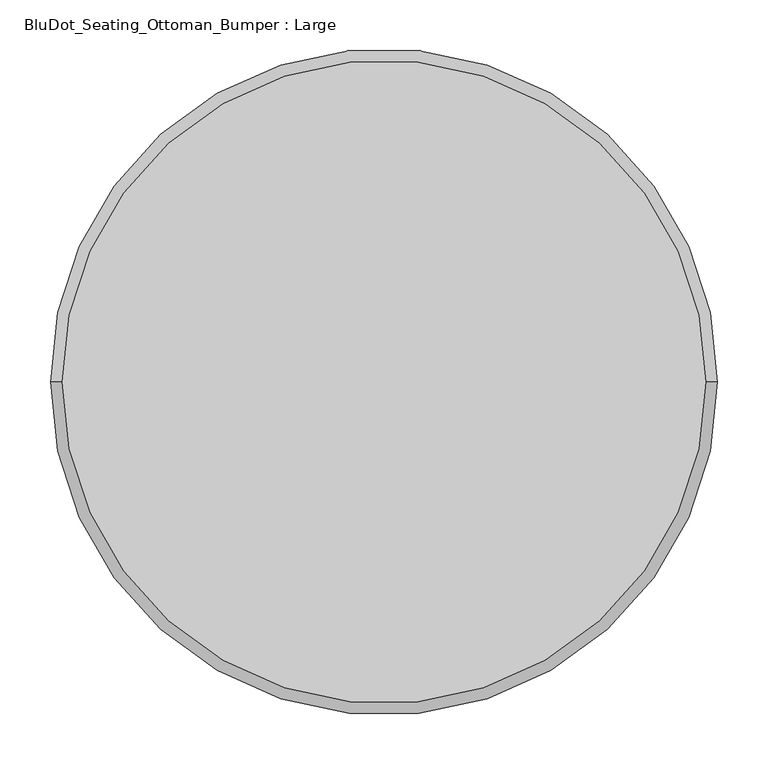
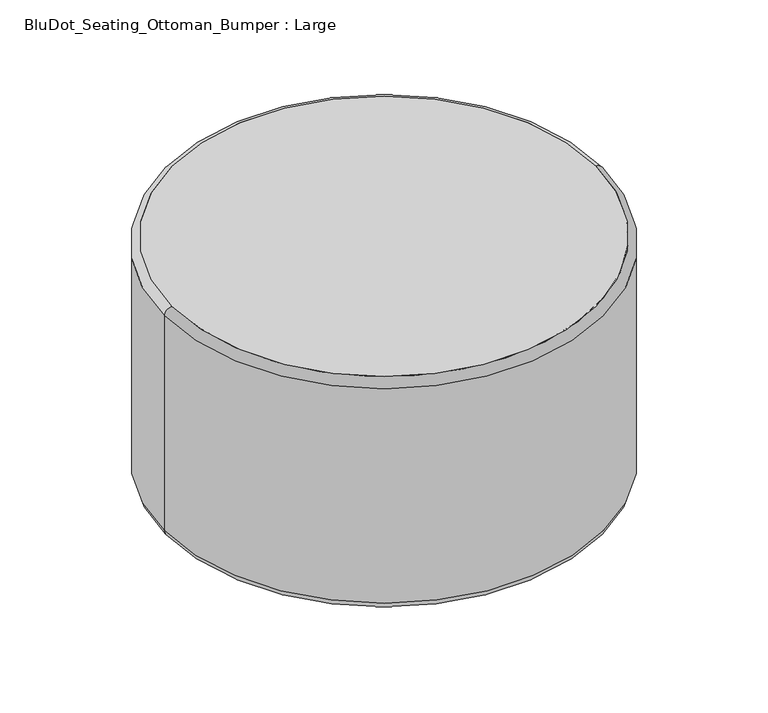
"""IFC4 building model written with IfcOpenShell, lengths in millimetres: furniture geometry, BluDot_Seating_Ottoman_Bumper : Large."""

from ifc_helpers import new_model, si_unit, point, frame, origin, origin_with_axes, origin_2d, place, context, project, spatial, polyline, circle_curve, ellipse_curve, trimmed, segment, composite_curve, outline, extrude, source, transform, mapped, element, save
from ifc_brep_helpers import plane_surface, cylinder_surface, revolved_surface, advanced_brep


def bludot_seating_ottoman_bumper_large_44c33631(model_context):
    return source(origin(), model_context, "Body", "SolidModel", [
        advanced_brep(
        [(-254.7187764, 0.0, 0.0), (-271.0612236, 0.0, 0.0), (-278.6812236, 0.0, 7.62), (-247.0987764, 0.0, 7.62), (-278.6812236, 0.0, 17.6288488), (-247.0987764, 0.0, 17.6288488), (-262.89, 0.0, 17.6288488), (-262.89, 0.0, 0.0)],
        [
            (0, 1, circle_curve(frame((-262.89, 0.0, 0.0), z_axis=(0.0, 0.0, 1.0), x_axis=(-1.0, 0.0, 0.0)), 8.1712236)),
            (1, 2, circle_curve(frame((-271.0612236, 0.0, 7.62), z_axis=(0.0, 1.0, 0.0), x_axis=(-1.0, 0.0, 0.0)), 7.62)),
            (2, 3, circle_curve(frame((-262.89, 0.0, 7.62), z_axis=(0.0, 0.0, -1.0), x_axis=(-1.0, 0.0, 0.0)), 15.7912236)),
            (3, 0, circle_curve(frame((-254.7187764, 0.0, 7.62), z_axis=(0.0, 1.0, 0.0), x_axis=(1.0, 0.0, 0.0)), 7.62)),
            (1, 0, circle_curve(frame((-262.89, 0.0, 0.0), z_axis=(0.0, 0.0, 1.0), x_axis=(-1.0, 0.0, 0.0)), 8.1712236)),
            (3, 2, circle_curve(frame((-262.89, 0.0, 7.62), z_axis=(0.0, 0.0, -1.0), x_axis=(-1.0, 0.0, 0.0)), 15.7912236)),
            (2, 4),
            (4, 5, circle_curve(frame((-262.89, 0.0, 17.6288488), z_axis=(0.0, 0.0, -1.0), x_axis=(-1.0, 0.0, 0.0)), 15.7912236)),
            (5, 3),
            (5, 4, circle_curve(frame((-262.89, 0.0, 17.6288488), z_axis=(0.0, 0.0, -1.0), x_axis=(-1.0, 0.0, 0.0)), 15.7912236)),
            (4, 6),
            (6, 5),
            (7, 1),
            (0, 7),
        ],
        [
            revolved_surface(trimmed(ellipse_curve(frame((-271.0612236, 0.0, 7.62), z_axis=(0.0, -1.0, 0.0), x_axis=(-1.0, 0.0, 0.0)), 7.62, 7.62), [point((-278.6812236, 0.0, 7.62))], [point((-271.0612236, 0.0, 0.0))], True, "CARTESIAN"), (-262.89, 0.0, -14.7424441), (0.0, 0.0, -1.0)),
            cylinder_surface(frame((-262.89, 0.0, -14.7424441), z_axis=(0.0, 0.0, -1.0), x_axis=(-1.0, 0.0, 0.0)), 15.7912236),
            plane_surface(frame((-262.89, 0.0, 17.6288488), z_axis=(0.0, 0.0, 1.0), x_axis=(-1.0, 0.0, 0.0))),
            plane_surface(frame((-262.89, 0.0, 0.0), z_axis=(0.0, 0.0, -1.0), x_axis=(-1.0, 0.0, 0.0))),
        ],
        [
            (0, [[1, 2, 3, 4]]),
            (0, [[5, -4, 6, -2]]),
            (1, [[-3, 7, 8, 9]]),
            (1, [[-6, -9, 10, -7]]),
            (2, [[-8, 11, 12]]),
            (2, [[-10, -12, -11]]),
            (3, [[13, -1, 14]]),
            (3, [[-14, -5, -13]]),
        ],
    ),
        advanced_brep(
        [(247.0987764, 0.0, 7.62), (278.6812236, 0.0, 7.62), (271.0612236, 0.0, 0.0), (254.7187764, 0.0, 0.0), (247.0987764, 0.0, 17.6288488), (278.6812236, 0.0, 17.6288488), (262.89, 0.0, 17.6288488), (262.89, 0.0, 0.0)],
        [
            (0, 1, circle_curve(frame((262.89, 0.0, 7.62), z_axis=(0.0, 0.0, -1.0), x_axis=(1.0, 0.0, 0.0)), 15.7912236)),
            (1, 2, circle_curve(frame((271.0612236, 0.0, 7.62), z_axis=(0.0, 1.0, 0.0), x_axis=(1.0, 0.0, 0.0)), 7.62)),
            (2, 3, circle_curve(frame((262.89, 0.0, 0.0), z_axis=(0.0, 0.0, 1.0), x_axis=(1.0, 0.0, 0.0)), 8.1712236)),
            (3, 0, circle_curve(frame((254.7187764, 0.0, 7.62), z_axis=(0.0, 1.0, 0.0), x_axis=(-1.0, 0.0, 0.0)), 7.62)),
            (1, 0, circle_curve(frame((262.89, 0.0, 7.62), z_axis=(0.0, 0.0, -1.0), x_axis=(1.0, 0.0, 0.0)), 15.7912236)),
            (3, 2, circle_curve(frame((262.89, 0.0, 0.0), z_axis=(0.0, 0.0, 1.0), x_axis=(1.0, 0.0, 0.0)), 8.1712236)),
            (4, 5, circle_curve(frame((262.89, 0.0, 17.6288488), z_axis=(0.0, 0.0, -1.0), x_axis=(1.0, 0.0, 0.0)), 15.7912236)),
            (5, 1),
            (0, 4),
            (5, 4, circle_curve(frame((262.89, 0.0, 17.6288488), z_axis=(0.0, 0.0, -1.0), x_axis=(1.0, 0.0, 0.0)), 15.7912236)),
            (6, 5),
            (4, 6),
            (2, 7),
            (7, 3),
        ],
        [
            revolved_surface(trimmed(ellipse_curve(frame((271.0612236, 0.0, 7.62), z_axis=(0.0, -1.0, 0.0), x_axis=(1.0, 0.0, 0.0)), 7.62, 7.62), [point((271.0612236, 0.0, 0.0))], [point((278.6812236, 0.0, 7.62))], True, "CARTESIAN"), (262.89, 0.0, -14.7424441), (0.0, 0.0, 1.0)),
            cylinder_surface(frame((262.89, 0.0, -14.7424441), z_axis=(0.0, 0.0, 1.0), x_axis=(1.0, 0.0, 0.0)), 15.7912236),
            plane_surface(frame((262.89, 0.0, 17.6288488), z_axis=(0.0, 0.0, 1.0), x_axis=(1.0, 0.0, 0.0))),
            plane_surface(frame((262.89, 0.0, 0.0), z_axis=(0.0, 0.0, -1.0), x_axis=(1.0, 0.0, 0.0))),
        ],
        [
            (0, [[1, 2, 3, 4]]),
            (0, [[5, -4, 6, -2]]),
            (1, [[7, 8, -1, 9]]),
            (1, [[10, -9, -5, -8]]),
            (2, [[11, -7, 12]]),
            (2, [[-12, -10, -11]]),
            (3, [[-3, 13, 14]]),
            (3, [[-6, -14, -13]]),
        ],
    ),
        advanced_brep(
        [(0.0, -254.7187764, 0.0), (0.0, -271.0612236, 0.0), (0.0, -278.6812236, 7.62), (0.0, -247.0987764, 7.62), (0.0, -278.6812236, 17.6288488), (0.0, -247.0987764, 17.6288488), (0.0, -262.89, 17.6288488), (0.0, -262.89, 0.0)],
        [
            (0, 1, circle_curve(frame((0.0, -262.89, 0.0), z_axis=(0.0, 0.0, 1.0), x_axis=(0.0, -1.0, 0.0)), 8.1712236)),
            (1, 2, circle_curve(frame((0.0, -271.0612236, 7.62), z_axis=(-1.0, 0.0, 0.0), x_axis=(0.0, -1.0, 0.0)), 7.62)),
            (2, 3, circle_curve(frame((0.0, -262.89, 7.62), z_axis=(0.0, 0.0, -1.0), x_axis=(0.0, -1.0, 0.0)), 15.7912236)),
            (3, 0, circle_curve(frame((0.0, -254.7187764, 7.62), z_axis=(-1.0, 0.0, 0.0), x_axis=(0.0, 1.0, 0.0)), 7.62)),
            (1, 0, circle_curve(frame((0.0, -262.89, 0.0), z_axis=(0.0, 0.0, 1.0), x_axis=(0.0, -1.0, 0.0)), 8.1712236)),
            (3, 2, circle_curve(frame((0.0, -262.89, 7.62), z_axis=(0.0, 0.0, -1.0), x_axis=(0.0, -1.0, 0.0)), 15.7912236)),
            (2, 4),
            (4, 5, circle_curve(frame((0.0, -262.89, 17.6288488), z_axis=(0.0, 0.0, -1.0), x_axis=(0.0, -1.0, 0.0)), 15.7912236)),
            (5, 3),
            (5, 4, circle_curve(frame((0.0, -262.89, 17.6288488), z_axis=(0.0, 0.0, -1.0), x_axis=(0.0, -1.0, 0.0)), 15.7912236)),
            (4, 6),
            (6, 5),
            (7, 1),
            (0, 7),
        ],
        [
            revolved_surface(trimmed(ellipse_curve(frame((0.0, -271.0612236, 7.62), z_axis=(1.0, 0.0, 0.0), x_axis=(0.0, -1.0, 0.0)), 7.62, 7.62), [point((0.0, -278.6812236, 7.62))], [point((0.0, -271.0612236, 0.0))], True, "CARTESIAN"), (0.0, -262.89, -14.7424441), (0.0, 0.0, -1.0)),
            cylinder_surface(frame((0.0, -262.89, -14.7424441), z_axis=(0.0, 0.0, -1.0), x_axis=(0.0, -1.0, 0.0)), 15.7912236),
            plane_surface(frame((0.0, -262.89, 17.6288488), z_axis=(0.0, 0.0, 1.0), x_axis=(0.0, -1.0, 0.0))),
            plane_surface(frame((0.0, -262.89, 0.0), z_axis=(0.0, 0.0, -1.0), x_axis=(0.0, -1.0, 0.0))),
        ],
        [
            (0, [[1, 2, 3, 4]]),
            (0, [[5, -4, 6, -2]]),
            (1, [[-3, 7, 8, 9]]),
            (1, [[-6, -9, 10, -7]]),
            (2, [[-8, 11, 12]]),
            (2, [[-10, -12, -11]]),
            (3, [[13, -1, 14]]),
            (3, [[-14, -5, -13]]),
        ],
    ),
        advanced_brep(
        [(0.0, 247.0987764, 7.62), (0.0, 278.6812236, 7.62), (0.0, 271.0612236, 0.0), (0.0, 254.7187764, 0.0), (0.0, 247.0987764, 17.6288488), (0.0, 278.6812236, 17.6288488), (0.0, 262.89, 17.6288488), (0.0, 262.89, 0.0)],
        [
            (0, 1, circle_curve(frame((0.0, 262.89, 7.62), z_axis=(0.0, 0.0, -1.0), x_axis=(0.0, 1.0, 0.0)), 15.7912236)),
            (1, 2, circle_curve(frame((0.0, 271.0612236, 7.62), z_axis=(-1.0, 0.0, 0.0), x_axis=(0.0, 1.0, 0.0)), 7.62)),
            (2, 3, circle_curve(frame((0.0, 262.89, 0.0), z_axis=(0.0, 0.0, 1.0), x_axis=(0.0, 1.0, 0.0)), 8.1712236)),
            (3, 0, circle_curve(frame((0.0, 254.7187764, 7.62), z_axis=(-1.0, 0.0, 0.0), x_axis=(0.0, -1.0, 0.0)), 7.62)),
            (1, 0, circle_curve(frame((0.0, 262.89, 7.62), z_axis=(0.0, 0.0, -1.0), x_axis=(0.0, 1.0, 0.0)), 15.7912236)),
            (3, 2, circle_curve(frame((0.0, 262.89, 0.0), z_axis=(0.0, 0.0, 1.0), x_axis=(0.0, 1.0, 0.0)), 8.1712236)),
            (4, 5, circle_curve(frame((0.0, 262.89, 17.6288488), z_axis=(0.0, 0.0, -1.0), x_axis=(0.0, 1.0, 0.0)), 15.7912236)),
            (5, 1),
            (0, 4),
            (5, 4, circle_curve(frame((0.0, 262.89, 17.6288488), z_axis=(0.0, 0.0, -1.0), x_axis=(0.0, 1.0, 0.0)), 15.7912236)),
            (6, 5),
            (4, 6),
            (2, 7),
            (7, 3),
        ],
        [
            revolved_surface(trimmed(ellipse_curve(frame((0.0, 271.0612236, 7.62), z_axis=(1.0, 0.0, 0.0), x_axis=(0.0, 1.0, 0.0)), 7.62, 7.62), [point((0.0, 271.0612236, 0.0))], [point((0.0, 278.6812236, 7.62))], True, "CARTESIAN"), (0.0, 262.89, -14.7424441), (0.0, 0.0, 1.0)),
            cylinder_surface(frame((0.0, 262.89, -14.7424441), z_axis=(0.0, 0.0, 1.0), x_axis=(0.0, 1.0, 0.0)), 15.7912236),
            plane_surface(frame((0.0, 262.89, 17.6288488), z_axis=(0.0, 0.0, 1.0), x_axis=(0.0, 1.0, 0.0))),
            plane_surface(frame((0.0, 262.89, 0.0), z_axis=(0.0, 0.0, -1.0), x_axis=(0.0, 1.0, 0.0))),
        ],
        [
            (0, [[1, 2, 3, 4]]),
            (0, [[5, -4, 6, -2]]),
            (1, [[7, 8, -1, 9]]),
            (1, [[10, -9, -5, -8]]),
            (2, [[11, -7, 12]]),
            (2, [[-12, -10, -11]]),
            (3, [[-3, 13, 14]]),
            (3, [[-6, -14, -13]]),
        ],
    ),
        extrude(outline(composite_curve([segment(trimmed(circle_curve(origin_2d(), 317.5), [point((-317.5, 0.0))], [point((317.5, 0.0))], False, "CARTESIAN"), True, "CONTINUOUS"), segment(trimmed(circle_curve(origin_2d(), 317.5), [point((317.5, 0.0))], [point((-317.5, 0.0))], False, "CARTESIAN"), True, "CONTINUOUS")], self_intersect=False)), frame((0.0, 0.0, 17.6288488), z_axis=(0.0, 0.0, 1.0), x_axis=(1.0, 0.0, 0.0)), (0.0, 0.0, 1.0), 363.3711512),
        advanced_brep(
        [(329.0765461, 0.0, 369.4793542), (-329.0765461, 0.0, 369.4793542), (-329.0765461, 0.0, 29.2053949), (329.0765461, 0.0, 29.2053949), (317.5, 0.0, 381.0), (-317.5, 0.0, 381.0), (317.5, 0.0, 17.6288488), (-317.5, 0.0, 17.6288488)],
        [
            (0, 1, circle_curve(frame((0.0, 0.0, 369.4793542), z_axis=(0.0, 0.0, -1.0), x_axis=(-1.0, 0.0, 0.0)), 329.0765461)),
            (1, 2),
            (2, 3, circle_curve(frame((0.0, 0.0, 29.2053949), z_axis=(0.0, 0.0, 1.0), x_axis=(-1.0, 0.0, 0.0)), 329.0765461)),
            (3, 0),
            (4, 5, circle_curve(frame((0.0, 0.0, 381.0), z_axis=(0.0, 0.0, -1.0), x_axis=(-1.0, 0.0, 0.0)), 317.5)),
            (5, 1, circle_curve(frame((-317.5557653, 0.0, 369.4793542), z_axis=(0.0, -1.0, 0.0), x_axis=(1.0, 0.0, 0.0)), 11.5207808)),
            (0, 4, circle_curve(frame((317.5557653, 0.0, 369.4793542), z_axis=(0.0, -1.0, 0.0), x_axis=(-1.0, 0.0, 0.0)), 11.5207808)),
            (6, 7, circle_curve(frame((0.0, 0.0, 17.6288488), z_axis=(0.0, 0.0, -1.0), x_axis=(-1.0, 0.0, 0.0)), 317.5)),
            (7, 5),
            (4, 6),
            (2, 7, circle_curve(frame((-317.5, 0.0, 29.2053949), z_axis=(0.0, -1.0, 0.0), x_axis=(1.0, 0.0, 0.0)), 11.5765461)),
            (6, 3, circle_curve(frame((317.5, 0.0, 29.2053949), z_axis=(0.0, -1.0, 0.0), x_axis=(-1.0, 0.0, 0.0)), 11.5765461)),
            (1, 0, circle_curve(frame((0.0, 0.0, 369.4793542), z_axis=(0.0, 0.0, -1.0), x_axis=(1.0, 0.0, 0.0)), 329.0765461)),
            (3, 2, circle_curve(frame((0.0, 0.0, 29.2053949), z_axis=(0.0, 0.0, 1.0), x_axis=(1.0, 0.0, 0.0)), 329.0765461)),
            (5, 4, circle_curve(frame((0.0, 0.0, 381.0), z_axis=(0.0, 0.0, -1.0), x_axis=(1.0, 0.0, 0.0)), 317.5)),
            (7, 6, circle_curve(frame((0.0, 0.0, 17.6288488), z_axis=(0.0, 0.0, -1.0), x_axis=(1.0, 0.0, 0.0)), 317.5)),
        ],
        [
            cylinder_surface(frame((0.0, 0.0, 0.0), z_axis=(0.0, 0.0, 1.0), x_axis=(-1.0, 0.0, 0.0)), 329.0765461),
            revolved_surface(trimmed(ellipse_curve(frame((-317.5557653, 0.0, 369.4793542), z_axis=(0.0, 1.0, 0.0), x_axis=(1.0, 0.0, 0.0)), 11.5207808, 11.5207808), [point((-329.0765461, 0.0, 369.4793542))], [point((-317.5, 0.0, 381.0))], True, "CARTESIAN"), (0.0, 0.0, 0.0), (0.0, 0.0, 1.0)),
            revolved_surface(polyline([(-317.5, 0.0, 381.0), (-317.5, 0.0, 17.6288488)]), (0.0, 0.0, 0.0), (0.0, 0.0, 1.0)),
            revolved_surface(trimmed(ellipse_curve(frame((-317.5, 0.0, 29.2053949), z_axis=(0.0, 1.0, 0.0), x_axis=(1.0, 0.0, 0.0)), 11.5765461, 11.5765461), [point((-317.5, 0.0, 17.6288488))], [point((-329.0765461, 0.0, 29.2053949))], True, "CARTESIAN"), (0.0, 0.0, 0.0), (0.0, 0.0, 1.0)),
            cylinder_surface(origin_with_axes(), 329.0765461),
            revolved_surface(trimmed(ellipse_curve(frame((317.5557653, 0.0, 369.4793542), z_axis=(0.0, -1.0, 0.0), x_axis=(-1.0, 0.0, 0.0)), 11.5207808, 11.5207808), [point((329.0765461, 0.0, 369.4793542))], [point((317.5, 0.0, 381.0))], True, "CARTESIAN"), (0.0, 0.0, 0.0), (0.0, 0.0, 1.0)),
            revolved_surface(polyline([(317.5, 0.0, 381.0), (317.5, 0.0, 17.6288488)]), (0.0, 0.0, 0.0), (0.0, 0.0, 1.0)),
            revolved_surface(trimmed(ellipse_curve(frame((317.5, 0.0, 29.2053949), z_axis=(0.0, -1.0, 0.0), x_axis=(-1.0, 0.0, 0.0)), 11.5765461, 11.5765461), [point((317.5, 0.0, 17.6288488))], [point((329.0765461, 0.0, 29.2053949))], True, "CARTESIAN"), (0.0, 0.0, 0.0), (0.0, 0.0, 1.0)),
        ],
        [
            (0, [[1, 2, 3, 4]]),
            (1, [[5, 6, -1, 7]]),
            (2, [[8, 9, -5, 10]]),
            (3, [[-3, 11, -8, 12]]),
            (4, [[13, -4, 14, -2]]),
            (5, [[15, -7, -13, -6]]),
            (6, [[16, -10, -15, -9]]),
            (7, [[-14, -12, -16, -11]]),
        ],
    ),
    ])


if __name__ == "__main__":
    model = new_model("IFC4")
    model_context = context("Model", 3, world=origin())
    ifc_project = project(units=[si_unit("LENGTHUNIT", "METRE", prefix="MILLI")], contexts=[model_context])
    site = spatial("IfcSite", under=ifc_project)
    building = spatial("IfcBuilding", under=site)
    placement = place(None, origin())
    bludot_seating_ottoman_bumper_large_shape = bludot_seating_ottoman_bumper_large_44c33631(model_context)
    element("IfcFurniture", 1, ObjectType="BluDot_Seating_Ottoman_Bumper : Large", at=placement, inside=building, context=model_context, shape_type="MappedRepresentation", body=[
        mapped(bludot_seating_ottoman_bumper_large_shape, transform((0.0, 0.0, 0.0), x_axis=(1.0, 0.0, 0.0), y_axis=(0.0, 1.0, 0.0), z_axis=(0.0, 0.0, 1.0))),
    ])
    save(model, "model.ifc")
